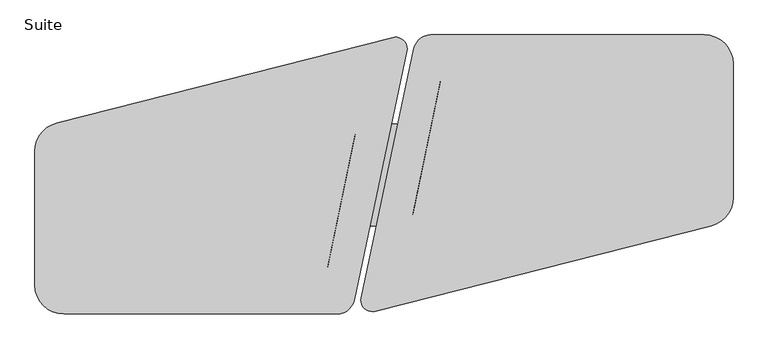
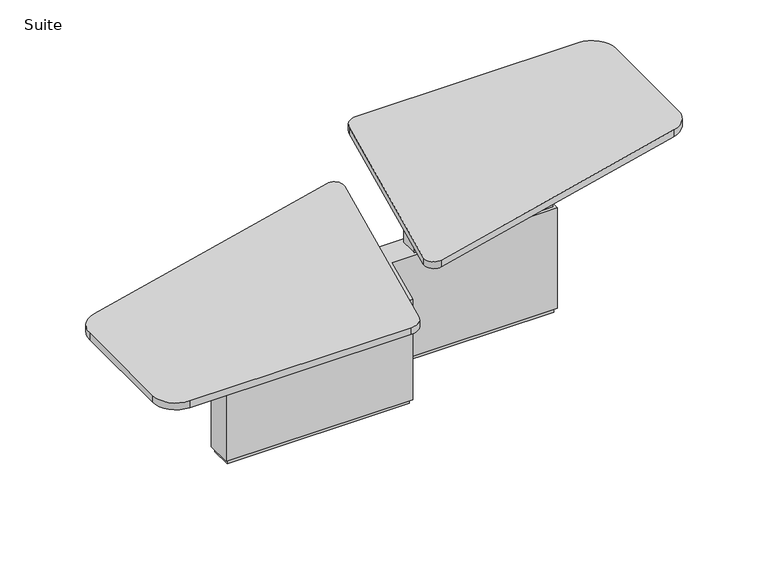
"""IFC4 building model written with IfcOpenShell, lengths in millimetres: furniture geometry, Suite."""

import ifcopenshell
import ifcopenshell.guid

model = None  # the IFC model being written
_history = None  # IfcOwnerHistory: only IFC2X3 demands one
_inside = {}  # id of a spatial element -> (the spatial element, [elements in it])
_under = {}  # id of a project, library or spatial element -> (it, [spatial elements below it])
_declared = {}  # id of a project -> (the project, [libraries it declares])
_typed = {}  # id of a type object -> (the type object, [elements of that type])
_made_of = {}  # id of a material, layer set ... -> (it, [elements and type objects made of it])


def new_model(schema):
    """Start an empty IFC model of exactly this schema.

    Asked for "IFC4X3", IfcOpenShell would pick the latest addendum, in which some entities
    have other attributes; the version numbers below select the first issue.
    IFC2X3 requires an IfcOwnerHistory on every rooted entity: one is made here for all.
    """
    global model, _history
    if schema == "IFC4X3":
        model = ifcopenshell.file(schema_version=(4, 3, 0, 0))
    else:
        model = ifcopenshell.file(schema=schema)
    _inside.clear()
    _under.clear()
    _declared.clear()
    _typed.clear()
    _made_of.clear()
    _history = None
    if model.schema == "IFC2X3":
        org = make("IfcOrganization", Name="unknown")
        user = make(
            "IfcPersonAndOrganization",
            ThePerson=make("IfcPerson", FamilyName="unknown"),
            TheOrganization=org,
        )
        app = make(
            "IfcApplication",
            ApplicationDeveloper=org,
            Version="unknown",
            ApplicationFullName="unknown",
            ApplicationIdentifier="unknown",
        )
        _history = make(
            "IfcOwnerHistory",
            OwningUser=user,
            OwningApplication=app,
            ChangeAction="ADDED",
            CreationDate=0,
        )
    return model


def make(cls, **values):
    """One entity of the class cls with the attributes given. An attribute that is None is left unset."""
    return model.create_entity(
        cls, **{name: value for name, value in values.items() if value is not None}
    )


def rooted(cls, **values):
    """An entity with a GlobalId (a new one), such as an element, a storey or a relation."""
    return make(cls, GlobalId=ifcopenshell.guid.new(), OwnerHistory=_history, **values)


def si_unit(unit_type, name, prefix=None):
    """IfcSIUnit, for example si_unit("LENGTHUNIT", "METRE", prefix="MILLI")."""
    return make("IfcSIUnit", UnitType=unit_type, Prefix=prefix, Name=name)


def assignment(units):
    """IfcUnitAssignment: the units of a project."""
    return None if units is None else make("IfcUnitAssignment", Units=units)


def point(xyz):
    """IfcCartesianPoint."""
    return None if xyz is None else make("IfcCartesianPoint", Coordinates=xyz)


def direction(xyz):
    """IfcDirection."""
    return None if xyz is None else make("IfcDirection", DirectionRatios=xyz)


def frame(location, z_axis=None, x_axis=None):
    """IfcAxis2Placement3D, a coordinate frame: its origin and axes. An axis left out is left unset."""
    return make(
        "IfcAxis2Placement3D",
        Location=point(location),
        Axis=direction(z_axis),
        RefDirection=direction(x_axis),
    )


def frame_2d(location, x_axis=None):
    """IfcAxis2Placement2D, a coordinate frame in the plane: its origin and x axis."""
    return make(
        "IfcAxis2Placement2D", Location=point(location), RefDirection=direction(x_axis)
    )


def origin():
    """The frame at (0, 0, 0) with its axes left unset."""
    return frame((0.0, 0.0, 0.0))


def origin_with_axes():
    """The frame at (0, 0, 0) with the z axis (0, 0, 1) and the x axis (1, 0, 0) written out."""
    return frame((0.0, 0.0, 0.0), z_axis=(0.0, 0.0, 1.0), x_axis=(1.0, 0.0, 0.0))


def place(relative_to, where):
    """IfcLocalPlacement: puts the frame where relative to a parent placement (None: the world)."""
    return make(
        "IfcLocalPlacement", PlacementRelTo=relative_to, RelativePlacement=where
    )


def context(
    kind, dimensions, precision=None, world=None, true_north=None, identifier=None
):
    """IfcGeometricRepresentationContext, for example the 3D "Model" context."""
    return make(
        "IfcGeometricRepresentationContext",
        ContextIdentifier=identifier,
        ContextType=kind,
        CoordinateSpaceDimension=dimensions,
        Precision=precision,
        WorldCoordinateSystem=world,
        TrueNorth=true_north,
    )


def project(units=None, contexts=None):
    """IfcProject with its units and contexts."""
    return rooted(
        "IfcProject",
        Name="project",
        RepresentationContexts=contexts,
        UnitsInContext=assignment(units),
    )


def spatial(cls, under=None, at=None, **own):
    """A site, building, storey or space (cls), placed at a placement, below another one or the project."""
    s = rooted(cls, ObjectPlacement=at, **own)
    if under is not None:
        _under.setdefault(under.id(), (under, []))[1].append(s)
    return s


def polyline(points):
    """IfcPolyline through the points."""
    return make("IfcPolyline", Points=[point(p) for p in points])


def circle_curve(where, radius):
    """IfcCircle in the frame where."""
    return make("IfcCircle", Position=where, Radius=radius)


def trimmed(basis, trim1, trim2, sense, master):
    """IfcTrimmedCurve: the piece of a basis curve between two trims."""
    return make(
        "IfcTrimmedCurve",
        BasisCurve=basis,
        Trim1=trim1,
        Trim2=trim2,
        SenseAgreement=sense,
        MasterRepresentation=master,
    )


def segment(curve, same_sense, transition):
    """IfcCompositeCurveSegment."""
    return make(
        "IfcCompositeCurveSegment",
        Transition=transition,
        SameSense=same_sense,
        ParentCurve=curve,
    )


def composite_curve(segments, self_intersect=None):
    """IfcCompositeCurve: segments joined end to end."""
    return make("IfcCompositeCurve", Segments=segments, SelfIntersect=self_intersect)


def outline(outer, holes=None, kind="AREA"):
    """IfcArbitraryClosedProfileDef: a profile drawn as a closed curve; with holes, ...WithVoids."""
    if holes is None:
        return make("IfcArbitraryClosedProfileDef", ProfileType=kind, OuterCurve=outer)
    return make(
        "IfcArbitraryProfileDefWithVoids",
        ProfileType=kind,
        OuterCurve=outer,
        InnerCurves=holes,
    )


def extrude(swept, where, along, depth):
    """IfcExtrudedAreaSolid: the profile swept, set in the frame where, extruded along a direction by depth."""
    return make(
        "IfcExtrudedAreaSolid",
        SweptArea=swept,
        Position=where,
        ExtrudedDirection=direction(along),
        Depth=depth,
    )


def shape(context_of_items, identifier, shape_type, items):
    """IfcShapeRepresentation: the items that make up one representation, for example the "Body"."""
    return make(
        "IfcShapeRepresentation",
        ContextOfItems=context_of_items,
        RepresentationIdentifier=identifier,
        RepresentationType=shape_type,
        Items=items,
    )


def source(mapping_origin, context_of_items, identifier, shape_type, items):
    """IfcRepresentationMap: a shape defined once, which mapped items show again and again."""
    return make(
        "IfcRepresentationMap",
        MappingOrigin=mapping_origin,
        MappedRepresentation=shape(context_of_items, identifier, shape_type, items),
    )


def transform(
    local_origin,
    x_axis=None,
    y_axis=None,
    z_axis=None,
    scale=None,
    scale2=None,
    scale3=None,
    uniform=True,
):
    """IfcCartesianTransformationOperator3D, or its non-uniform kind. x_axis, y_axis, z_axis: its Axis1, 2, 3."""
    if uniform:
        return make(
            "IfcCartesianTransformationOperator3D",
            Axis1=direction(x_axis),
            Axis2=direction(y_axis),
            LocalOrigin=point(local_origin),
            Scale=scale,
            Axis3=direction(z_axis),
        )
    return make(
        "IfcCartesianTransformationOperator3DnonUniform",
        Axis1=direction(x_axis),
        Axis2=direction(y_axis),
        LocalOrigin=point(local_origin),
        Scale=scale,
        Axis3=direction(z_axis),
        Scale2=scale2,
        Scale3=scale3,
    )


def mapped(mapping_source, mapping_target):
    """IfcMappedItem: shows the shape of a source again, moved by a transform."""
    return make(
        "IfcMappedItem", MappingSource=mapping_source, MappingTarget=mapping_target
    )


def made_of(thing, what):
    """Note that an element or type object is made of a material, layer set ...; save() writes the relation."""
    if what is not None:
        _made_of.setdefault(what.id(), (what, []))[1].append(thing)
    return thing


def element(
    cls,
    number,
    at=None,
    inside=None,
    cuts=None,
    type_object=None,
    material=None,
    context=None,
    identifier="Body",
    shape_type=None,
    held_by="IfcProductDefinitionShape",
    body=None,
    shapes=None,
    **own,
):
    """One element of the class cls, such as IfcWall. Its Tag is "e" and its number.

    at: its placement. inside: the storey or other place that contains it. cuts: it is an
    opening in that element (IfcRelVoidsElement). A single representation is given by context,
    identifier, shape_type and body (its items); several are given by shapes. held_by: the class
    of the entity that holds the representations. save() writes the other relations.
    """
    e = rooted(cls, Tag="e%d" % number, ObjectPlacement=at, **own)
    if body is not None:
        shapes = [shape(context, identifier, shape_type, body)]
    if shapes is not None:
        e.Representation = make(held_by, Representations=shapes)
    if inside is not None:
        _inside.setdefault(inside.id(), (inside, []))[1].append(e)
    if cuts is not None:
        rooted(
            "IfcRelVoidsElement", RelatingBuildingElement=cuts, RelatedOpeningElement=e
        )
    if type_object is not None:
        _typed.setdefault(type_object.id(), (type_object, []))[1].append(e)
    return made_of(e, material)


def aggregate(whole, parts):
    """IfcRelAggregates: a whole, such as a stair, and the parts it consists of."""
    return rooted("IfcRelAggregates", RelatingObject=whole, RelatedObjects=parts)


def save(model, path):
    """Write the relations noted so far, then the file.

    IfcRelAggregates (storeys below a building ...), IfcRelContainedInSpatialStructure (elements
    in a storey), IfcRelDefinesByType, IfcRelAssociatesMaterial and IfcRelDeclares: one each for
    every whole, place, type object, material and project.
    """
    for whole, parts in _under.values():
        aggregate(whole, parts)
    for where, things in _inside.values():
        rooted(
            "IfcRelContainedInSpatialStructure",
            RelatedElements=things,
            RelatingStructure=where,
        )
    for kind, things in _typed.values():
        rooted("IfcRelDefinesByType", RelatedObjects=things, RelatingType=kind)
    for what, things in _made_of.values():
        rooted("IfcRelAssociatesMaterial", RelatedObjects=things, RelatingMaterial=what)
    for by, libraries in _declared.values():
        rooted("IfcRelDeclares", RelatingContext=by, RelatedDefinitions=libraries)
    model.write(path)


def plane_surface(at):
    """IfcPlane: the flat surface through the origin of the frame at, square to its z axis."""
    return make("IfcPlane", Position=at)


def spline_surface(u_degree, v_degree, points, u_multiplicities, v_multiplicities, u_knots, v_knots, weights=None):
    """IfcBSplineSurfaceWithKnots; with weights, IfcRationalBSplineSurfaceWithKnots. points: one row for each step in u."""
    own = dict(
        UDegree=u_degree,
        VDegree=v_degree,
        ControlPointsList=[[point(p) for p in row] for row in points],
        SurfaceForm="UNSPECIFIED",
        UClosed=False,
        VClosed=False,
        SelfIntersect=False,
        UMultiplicities=u_multiplicities,
        VMultiplicities=v_multiplicities,
        UKnots=u_knots,
        VKnots=v_knots,
        KnotSpec="UNSPECIFIED",
    )
    if weights is None:
        return make("IfcBSplineSurfaceWithKnots", **own)
    return make("IfcRationalBSplineSurfaceWithKnots", WeightsData=weights, **own)


def advanced_brep(points, edges, surfaces, faces):
    """IfcAdvancedBrep: a solid bounded by faces that lie on surfaces and meet in shared edges.

    An edge is (start, end): straight between two places in points (the first is 0);
    or (start, end, curve); or (start, end, curve, False) where it runs against its curve.
    A face is (place in surfaces, loops), or (place, loops, False) where it looks against
    its surface's normal. A loop lists edges by number (the first is 1), with a minus sign
    where the edge is run from its end to its start. The first loop is the outer one.
    """
    corners = [point(p) for p in points]
    vertices = [make("IfcVertexPoint", VertexGeometry=c) for c in corners]
    made = []
    for start, end, *more in edges:
        made.append(
            make(
                "IfcEdgeCurve",
                EdgeStart=vertices[start],
                EdgeEnd=vertices[end],
                EdgeGeometry=more[0] if more else make("IfcPolyline", Points=[corners[start], corners[end]]),
                SameSense=more[1] if len(more) > 1 else True,
            )
        )
    hull = []
    for where, loops, *sense in faces:
        bounds = []
        for j, loop in enumerate(loops):
            ring = [make("IfcOrientedEdge", EdgeElement=made[abs(k) - 1], Orientation=k > 0) for k in loop]
            bounds.append(
                make(
                    "IfcFaceOuterBound" if j == 0 else "IfcFaceBound",
                    Bound=make("IfcEdgeLoop", EdgeList=ring),
                    Orientation=True,
                )
            )
        hull.append(make("IfcAdvancedFace", Bounds=bounds, FaceSurface=surfaces[where], SameSense=sense[0] if sense else True))
    return make("IfcAdvancedBrep", Outer=make("IfcClosedShell", CfsFaces=hull))


def suite_4d1da6e3(model_context):
    return source(origin(), model_context, "Body", "SolidModel", [
        advanced_brep(
        [(-990.3933356, -820.0987141, 641.35), (-990.3933356, -705.7987202, 641.35), (-191.1060261, -705.7987202, 641.35), (-214.7795279, -820.0987141, 641.35), (-990.3933356, -1018.2095444, 711.2), (-257.3253737, -1018.2095444, 711.2), (-137.1436248, -437.9500924, 711.2), (-990.3933356, -481.7245261, 711.2)],
        [
            (0, 1),
            (1, 2),
            (2, 3),
            (3, 0),
            (4, 5),
            (5, 6),
            (6, 7),
            (7, 4),
            (7, 1),
            (0, 4),
            (6, 2),
            (5, 3),
        ],
        [
            plane_surface(frame((-596.6680563, -762.9487171, 641.35), z_axis=(0.0, 0.0, -1.0), x_axis=(1.0, 0.0, 0.0))),
            plane_surface(frame((-593.8139174, -739.0234268, 711.2), z_axis=(0.0, 0.0, 1.0), x_axis=(1.0, 0.0, 0.0))),
            plane_surface(frame((-990.3933356, -749.9670352, 711.2), z_axis=(-1.0, 0.0, 0.0), x_axis=(0.0, 1.0, 0.0))),
            spline_surface(1, 1, [[(-990.3933356, -481.7245261, 711.2), (-990.3933356, -705.7987202, 641.35)], [(-137.1436248, -437.9500924, 711.2), (-191.1060261, -705.7987202, 641.35)]], [2, 2], [2, 2], [0.0, 1.0], [0.0, 1.0]),
            plane_surface(frame((-197.2344993, -728.0798184, 711.2), z_axis=(0.9789971277602277, -0.20276720444233273, 0.021215198322559834), x_axis=(-0.20281285105363372, -0.9792175179435346, 0.0))),
            plane_surface(frame((-623.8593547, -1018.2095444, 711.2), z_axis=(0.0, -0.33251756017559847, -0.9430970640262153), x_axis=(-1.0, 0.0, 0.0))),
        ],
        [
            (0, [[1, 2, 3, 4]]),
            (1, [[5, 6, 7, 8]]),
            (2, [[-8, 9, -1, 10]]),
            (3, [[-7, 11, -2, -9]]),
            (4, [[-6, 12, -3, -11]]),
            (5, [[-5, -10, -4, -12]]),
        ],
    ),
        extrude(outline(polyline([(-291.8933356, -709.9531763), (-231.8937051, -709.9531763), (-231.8937051, -810.5365416), (-291.8933356, -810.5365416), (-291.8933356, -709.9531763)])), frame((0.0, 0.0, 596.9), z_axis=(0.0, 0.0, 1.0), x_axis=(1.0, 0.0, 0.0)), (0.0, 0.0, 1.0), 44.45),
        extrude(outline(polyline([(-976.2991712, -709.9531763), (-916.2995406, -709.9531763), (-916.2995406, -810.5365416), (-976.2991712, -810.5365416), (-976.2991712, -709.9531763)])), frame((0.0, 0.0, 596.9), z_axis=(0.0, 0.0, 1.0), x_axis=(1.0, 0.0, 0.0)), (0.0, 0.0, 1.0), 44.45),
        extrude(outline(composite_curve([segment(polyline([(-217.6335998, -1222.9647062), (-1409.7, -1222.9647062)]), True, "CONTINUOUS"), segment(trimmed(circle_curve(frame_2d((-1409.7, -1095.9647062)), 127.0), [point((-1409.7, -1222.9647062))], [point((-1536.7, -1095.9647062))], False, "CARTESIAN"), True, "CONTINUOUS"), segment(polyline([(-1536.7, -1095.9647062), (-1536.7, -511.6639984)]), True, "CONTINUOUS"), segment(trimmed(circle_curve(frame_2d((-1409.7, -511.6639984)), 127.0), [point((-1536.7, -511.6639984))], [point((-1441.0995161, -388.6068149))], False, "CARTESIAN"), True, "CONTINUOUS"), segment(polyline([(-1441.0995161, -388.6068149), (24.7335577, -14.5819279)]), True, "CONTINUOUS"), segment(trimmed(circle_curve(frame_2d((37.2933641, -63.8048013)), 50.8), [point((24.7335577, -14.5819279))], [point((86.9946643, -74.3129295))], False, "CARTESIAN"), True, "CONTINUOUS"), segment(polyline([(86.9946643, -74.3129295), (-143.0816495, -1162.5268986)]), True, "CONTINUOUS"), segment(trimmed(circle_curve(frame_2d((-217.6335998, -1146.7647062)), 76.2), [point((-143.0816495, -1162.5268986))], [point((-217.6335998, -1222.9647062))], False, "CARTESIAN"), True, "CONTINUOUS")], self_intersect=False)), frame((0.0, 0.0, 711.2), z_axis=(0.0, 0.0, 1.0), x_axis=(1.0, 0.0, 0.0)), (0.0, 0.0, 1.0), 38.1),
        advanced_brep(
        [(964.9933356, -405.4060018, 958.85), (964.9933356, -519.7059958, 958.85), (165.7060261, -519.7059958, 958.85), (189.3795279, -405.4060018, 958.85), (964.9933356, -207.2951715, 1028.7), (231.9253737, -207.2951715, 1028.7), (111.7436248, -787.5546235, 1028.7), (964.9933356, -743.7801898, 1028.7)],
        [
            (0, 1),
            (1, 2),
            (2, 3),
            (3, 0),
            (4, 5),
            (5, 6),
            (6, 7),
            (7, 4),
            (7, 1),
            (0, 4),
            (6, 2),
            (5, 3),
        ],
        [
            plane_surface(frame((571.2680563, -462.5559988, 958.85), z_axis=(0.0, 0.0, -1.0), x_axis=(-1.0, 0.0, 0.0))),
            plane_surface(frame((568.4139174, -486.4812891, 1028.7), z_axis=(0.0, 0.0, 1.0), x_axis=(-1.0, 0.0, 0.0))),
            plane_surface(frame((964.9933356, -475.5376807, 1028.7), z_axis=(1.0, 0.0, 0.0), x_axis=(0.0, -1.0, 0.0))),
            spline_surface(1, 1, [[(964.9933356, -743.7801898, 1028.7), (964.9933356, -519.7059958, 958.85)], [(111.7436248, -787.5546235, 1028.7), (165.7060261, -519.7059958, 958.85)]], [2, 2], [2, 2], [0.0, 1.0], [0.0, 1.0]),
            plane_surface(frame((171.8344993, -497.4248975, 1028.7), z_axis=(-0.9789971277602294, 0.2027672044423264, 0.021215198322540436), x_axis=(0.20281285105362734, 0.979217517943536, 0.0))),
            plane_surface(frame((598.4593547, -207.2951715, 1028.7), z_axis=(0.0, 0.33251756017587303, -0.9430970640261186), x_axis=(1.0, 0.0, 0.0))),
        ],
        [
            (0, [[1, 2, 3, 4]]),
            (1, [[5, 6, 7, 8]]),
            (2, [[-8, 9, -1, 10]]),
            (3, [[-7, 11, -2, -9]]),
            (4, [[-6, 12, -3, -11]]),
            (5, [[-5, -10, -4, -12]]),
        ],
    ),
        extrude(outline(polyline([(266.4933356, -515.5515396), (206.4937051, -515.5515396), (206.4937051, -414.9681743), (266.4933356, -414.9681743), (266.4933356, -515.5515396)])), frame((0.0, 0.0, 596.9), z_axis=(0.0, 0.0, 1.0), x_axis=(1.0, 0.0, 0.0)), (0.0, 0.0, 1.0), 361.95),
        extrude(outline(polyline([(950.8991712, -515.5515396), (890.8995406, -515.5515396), (890.8995406, -414.9681743), (950.8991712, -414.9681743), (950.8991712, -515.5515396)])), frame((0.0, 0.0, 596.9), z_axis=(0.0, 0.0, 1.0), x_axis=(1.0, 0.0, 0.0)), (0.0, 0.0, 1.0), 361.95),
        extrude(outline(polyline([(-27.0157631, -405.4060018), (952.2933356, -405.4060018), (952.2933356, -519.7059958), (65.6450122, -519.7059958), (1.2024837, -824.5059958), (-978.1066159, -824.5059958), (-978.1066159, -710.2060018), (-91.4582925, -710.2060018), (-27.0157631, -405.4060018)])), origin_with_axes(), (0.0, 0.0, 1.0), 25.4),
        extrude(outline(polyline([(964.9933356, -392.7060018), (964.9933356, -532.4059958), (75.9406538, -532.4059958), (11.4981253, -837.2059958), (-990.8066159, -837.2059958), (-990.8066159, -697.5060018), (-101.7539341, -697.5060018), (-37.3114046, -392.7060018), (964.9933356, -392.7060018)])), frame((0.0, 0.0, 25.4), z_axis=(0.0, 0.0, 1.0), x_axis=(1.0, 0.0, 0.0)), (0.0, 0.0, 1.0), 571.5),
        extrude(outline(composite_curve([segment(polyline([(192.2335998, -2.5400097), (1384.3, -2.5400097)]), True, "CONTINUOUS"), segment(trimmed(circle_curve(frame_2d((1384.3, -129.5400097)), 127.0), [point((1384.3, -2.5400097))], [point((1511.3, -129.5400097))], False, "CARTESIAN"), True, "CONTINUOUS"), segment(polyline([(1511.3, -129.5400097), (1511.3, -713.8407175)]), True, "CONTINUOUS"), segment(trimmed(circle_curve(frame_2d((1384.3, -713.8407175)), 127.0), [point((1511.3, -713.8407175))], [point((1415.6995161, -836.897901))], False, "CARTESIAN"), True, "CONTINUOUS"), segment(polyline([(1415.6995161, -836.897901), (-50.1335577, -1210.922788)]), True, "CONTINUOUS"), segment(trimmed(circle_curve(frame_2d((-62.6933641, -1161.6999146)), 50.8), [point((-50.1335577, -1210.922788))], [point((-112.3946643, -1151.1917864))], False, "CARTESIAN"), True, "CONTINUOUS"), segment(polyline([(-112.3946643, -1151.1917864), (117.6816495, -62.9778173)]), True, "CONTINUOUS"), segment(trimmed(circle_curve(frame_2d((192.2335998, -78.7400097)), 76.2), [point((117.6816495, -62.9778173))], [point((192.2335998, -2.5400097))], False, "CARTESIAN"), True, "CONTINUOUS")], self_intersect=False)), frame((0.0, 0.0, 1028.7), z_axis=(0.0, 0.0, 1.0), x_axis=(1.0, 0.0, 0.0)), (0.0, 0.0, 1.0), 38.1),
    ])


if __name__ == "__main__":
    model = new_model("IFC4")
    model_context = context("Model", 3, world=origin())
    ifc_project = project(units=[si_unit("LENGTHUNIT", "METRE", prefix="MILLI")], contexts=[model_context])
    site = spatial("IfcSite", under=ifc_project)
    building = spatial("IfcBuilding", under=site)
    placement = place(None, origin())
    suite_shape = suite_4d1da6e3(model_context)
    element("IfcFurniture", 1, ObjectType="Suite", at=placement, inside=building, context=model_context, shape_type="MappedRepresentation", body=[
        mapped(suite_shape, transform((0.0, 0.0, 0.0), x_axis=(1.0, 0.0, 0.0), y_axis=(0.0, 1.0, 0.0), z_axis=(0.0, 0.0, 1.0))),
    ])
    save(model, "model.ifc")
